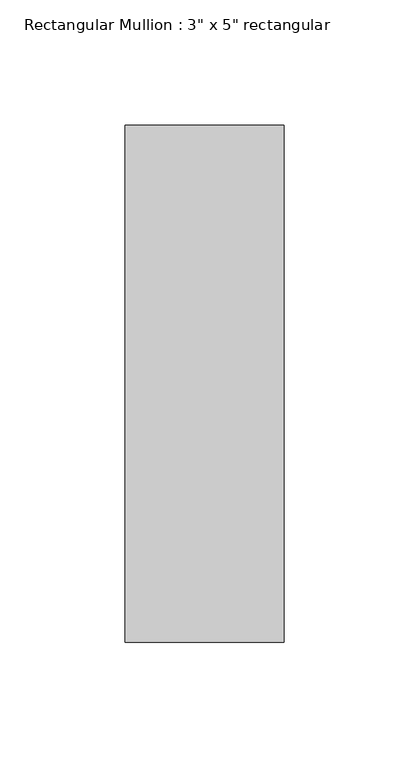
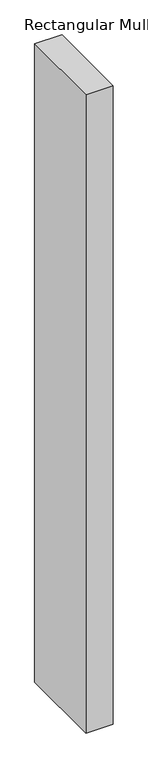
"""IFC4 building model written with IfcOpenShell, lengths in millimetres: member geometry."""

from ifc_helpers import new_model, si_unit, frame, origin, place, context, project, spatial, polyline, outline, extrude, source, transform, mapped, element, save


def member_53ff2388(model_context):
    return source(origin(), model_context, "Body", "SweptSolid", [
        extrude(outline(polyline([(31.75, 90.551), (31.75, -115.951), (-31.75, -115.951), (-31.75, 90.551), (31.75, 90.551)])), frame((0.0, 0.0, -1574.8), z_axis=(0.0, 0.0, 1.0), x_axis=(1.0, 0.0, 0.0)), (0.0, 0.0, 1.0), 1574.8),
    ])


if __name__ == "__main__":
    model = new_model("IFC4")
    model_context = context("Model", 3, world=origin())
    ifc_project = project(units=[si_unit("LENGTHUNIT", "METRE", prefix="MILLI")], contexts=[model_context])
    site = spatial("IfcSite", under=ifc_project)
    building = spatial("IfcBuilding", under=site)
    placement = place(None, origin())
    member_shape = member_53ff2388(model_context)
    element("IfcMember", 1, ObjectType="Rectangular Mullion : 3\" x 5\" rectangular", at=placement, inside=building, context=model_context, shape_type="MappedRepresentation", body=[
        mapped(member_shape, transform((0.0, 0.0, 0.0), x_axis=(1.0, 0.0, 0.0), y_axis=(0.0, 1.0, 0.0), z_axis=(0.0, 0.0, 1.0))),
    ])
    save(model, "model.ifc")
